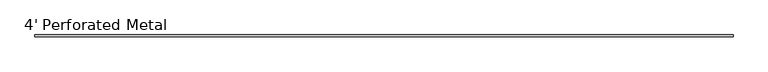
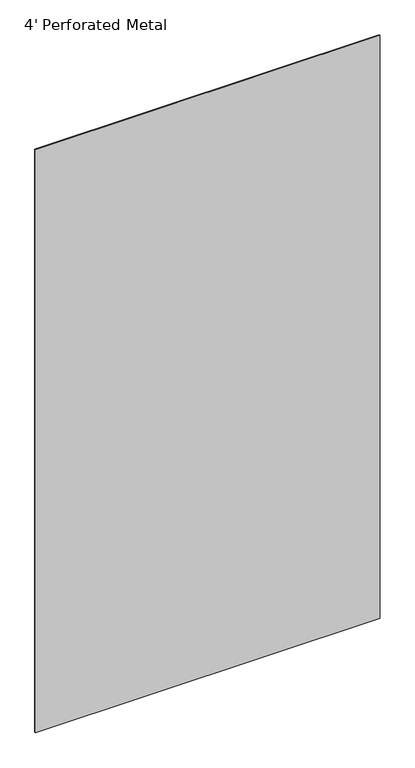
"""IFC4 building model written with IfcOpenShell, lengths in millimetres: furniture geometry, 4' Perforated Metal."""

from ifc_helpers import new_model, si_unit, frame, origin, place, context, project, spatial, polyline, outline, extrude, source, transform, mapped, element, save


def furniture_4_perforated_metal_b49bab64(model_context):
    return source(origin(), model_context, "Body", "SweptSolid", [
        extrude(outline(polyline([(0.0, -1.6002), (0.0, 1.6002), (1219.2, 1.6002), (1219.2, -1.6002), (0.0, -1.6002)])), frame((0.0, 0.0, 12.2428), z_axis=(0.0, 0.0, 1.0), x_axis=(1.0, 0.0, 0.0)), (0.0, 0.0, 1.0), 2180.9202),
    ])


if __name__ == "__main__":
    model = new_model("IFC4")
    model_context = context("Model", 3, world=origin())
    ifc_project = project(units=[si_unit("LENGTHUNIT", "METRE", prefix="MILLI")], contexts=[model_context])
    site = spatial("IfcSite", under=ifc_project)
    building = spatial("IfcBuilding", under=site)
    placement = place(None, origin())
    furniture_4_perforated_metal_shape = furniture_4_perforated_metal_b49bab64(model_context)
    element("IfcFurniture", 1, ObjectType="4' Perforated Metal", at=placement, inside=building, context=model_context, shape_type="MappedRepresentation", body=[
        mapped(furniture_4_perforated_metal_shape, transform((0.0, 0.0, 0.0), x_axis=(1.0, 0.0, 0.0), y_axis=(0.0, 1.0, 0.0), z_axis=(0.0, 0.0, 1.0))),
    ])
    save(model, "model.ifc")
